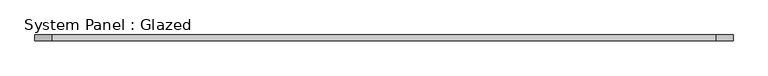
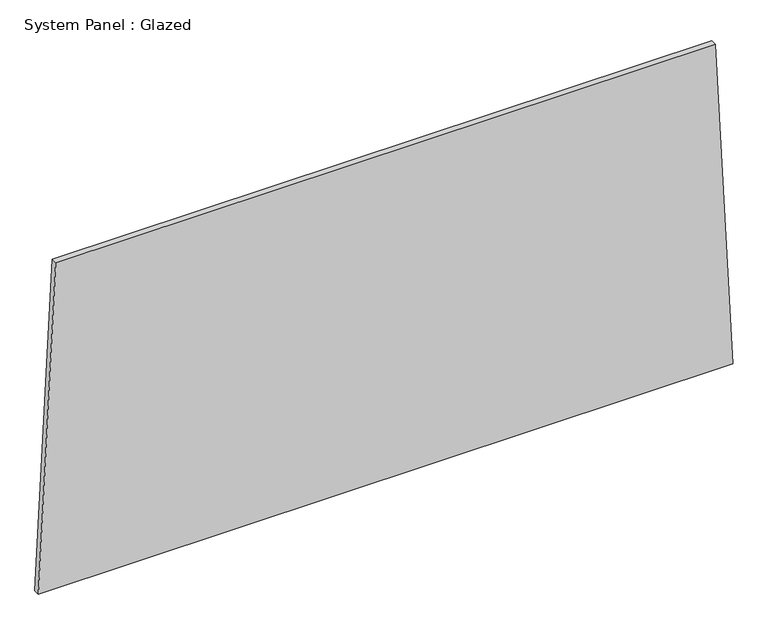
"""IFC4 building model written with IfcOpenShell, lengths in millimetres: plate geometry, System Panel : Glazed."""

from ifc_helpers import new_model, si_unit, frame, origin, place, context, project, spatial, polyline, outline, extrude, source, transform, mapped, element, save


def system_panel_glazed_43c9f04e(model_context):
    return source(origin(), model_context, "Body", "SweptSolid", [
        extrude(outline(polyline([(0.0, -1461.1972043), (0.0, 1461.1972043), (1448.0971251, 1388.1754164), (1448.0962779, -1388.172929), (0.0, -1461.1972043)])), frame((0.0, -49.5, 0.0), z_axis=(0.0, 1.0, 0.0), x_axis=(0.0, 0.0, 1.0)), (0.0, 0.0, 1.0), 25.0),
    ])


if __name__ == "__main__":
    model = new_model("IFC4")
    model_context = context("Model", 3, world=origin())
    ifc_project = project(units=[si_unit("LENGTHUNIT", "METRE", prefix="MILLI")], contexts=[model_context])
    site = spatial("IfcSite", under=ifc_project)
    building = spatial("IfcBuilding", under=site)
    placement = place(None, origin())
    system_panel_glazed_shape = system_panel_glazed_43c9f04e(model_context)
    element("IfcPlate", 1, ObjectType="System Panel : Glazed", at=placement, inside=building, context=model_context, shape_type="MappedRepresentation", body=[
        mapped(system_panel_glazed_shape, transform((0.0, 0.0, 0.0), x_axis=(1.0, 0.0, 0.0), y_axis=(0.0, 1.0, 0.0), z_axis=(0.0, 0.0, 1.0))),
    ])
    save(model, "model.ifc")
